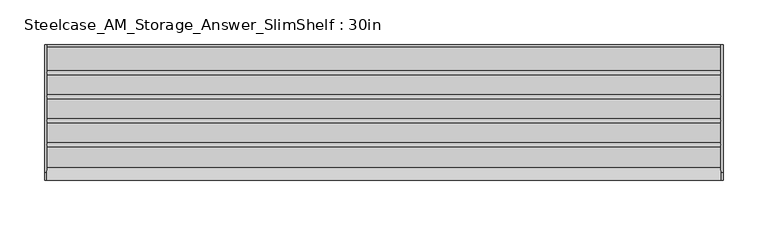
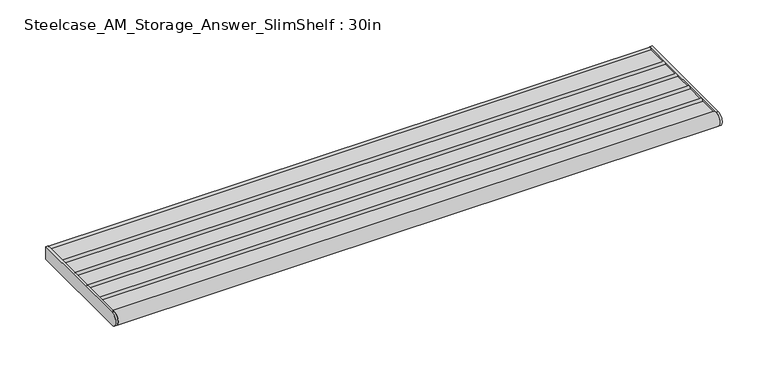
"""IFC4 building model written with IfcOpenShell, lengths in millimetres: furniture geometry, Steelcase_AM_Storage_Answer_SlimShelf : 30in."""

from ifc_helpers import new_model, si_unit, point, frame, frame_2d, origin, place, context, project, spatial, polyline, circle_curve, trimmed, segment, composite_curve, outline, extrude, source, transform, mapped, element, save


def steelcase_am_storage_answer_slimshelf_30in_3f86dd77(model_context):
    return source(origin(), model_context, "Body", "SweptSolid", [
        extrude(outline(composite_curve([segment(polyline([(-29.2099994, 928.482716), (-2.2859999, 928.482716)]), True, "CONTINUOUS"), segment(trimmed(circle_curve(frame_2d((1e-07, 928.482716)), 2.2860001), [point((-2.2859999, 928.482716))], [point((0.0, 930.7687161))], False, "CARTESIAN"), True, "CONTINUOUS"), segment(polyline([(0.0, 930.7687161), (0.0, 914.4), (-143.9753135, 914.4)]), True, "CONTINUOUS"), segment(trimmed(circle_curve(frame_2d((-143.9753135, 922.8328065)), 8.4328065), [point((-143.9753135, 914.4))], [point((-137.7150621, 928.482716))], False, "CARTESIAN"), True, "CONTINUOUS"), segment(polyline([(-137.7150621, 928.482716), (-114.7063978, 928.482716)]), True, "CONTINUOUS"), segment(trimmed(circle_curve(frame_2d((-112.4204, 928.482716)), 2.2859978), [point((-114.7063978, 928.482716))], [point((-110.1344022, 928.482716))], False, "CARTESIAN"), True, "CONTINUOUS"), segment(polyline([(-110.1344022, 928.482716), (-87.7315999, 928.482716)]), True, "CONTINUOUS"), segment(trimmed(circle_curve(frame_2d((-85.4456021, 928.482716)), 2.2859978), [point((-87.7315999, 928.482716))], [point((-83.1596043, 928.482716))], False, "CARTESIAN"), True, "CONTINUOUS"), segment(polyline([(-83.1596043, 928.482716), (-60.756802, 928.482716)]), True, "CONTINUOUS"), segment(trimmed(circle_curve(frame_2d((-58.4708019, 928.482716)), 2.2860001), [point((-60.756802, 928.482716))], [point((-56.1848018, 928.482716))], False, "CARTESIAN"), True, "CONTINUOUS"), segment(polyline([(-56.1848018, 928.482716), (-33.7819996, 928.482716)]), True, "CONTINUOUS"), segment(trimmed(circle_curve(frame_2d((-31.4959995, 928.482716)), 2.2860001), [point((-33.7819996, 928.482716))], [point((-29.2099994, 928.482716))], False, "CARTESIAN"), True, "CONTINUOUS")], self_intersect=False)), frame((2.7431999, 0.0, 0.0), z_axis=(1.0, 0.0, 0.0), x_axis=(0.0, 1.0, 0.0)), (0.0, 0.0, 1.0), 756.4120001),
        extrude(outline(composite_curve([segment(polyline([(-143.9753135, 931.265613), (0.0, 931.265613), (0.0, 914.4), (-143.9753135, 914.4)]), True, "CONTINUOUS"), segment(trimmed(circle_curve(frame_2d((-143.9753135, 922.8328065)), 8.4328065), [point((-143.9753135, 914.4))], [point((-143.9753135, 931.265613))], False, "CARTESIAN"), True, "CONTINUOUS")], self_intersect=False)), frame((759.1552, 0.0, 0.0), z_axis=(1.0, 0.0, 0.0), x_axis=(0.0, 1.0, 0.0)), (0.0, 0.0, 1.0), 2.8448),
        extrude(outline(composite_curve([segment(polyline([(-143.9753135, 931.265613), (0.0, 931.265613), (0.0, 914.4), (-143.9753135, 914.4)]), True, "CONTINUOUS"), segment(trimmed(circle_curve(frame_2d((-143.9753135, 922.8328065)), 8.4328065), [point((-143.9753135, 914.4))], [point((-143.9753135, 931.265613))], False, "CARTESIAN"), True, "CONTINUOUS")], self_intersect=False)), frame((0.0, 0.0, 0.0), z_axis=(1.0, 0.0, 0.0), x_axis=(0.0, 1.0, 0.0)), (0.0, 0.0, 1.0), 2.7431999),
    ])


if __name__ == "__main__":
    model = new_model("IFC4")
    model_context = context("Model", 3, world=origin())
    ifc_project = project(units=[si_unit("LENGTHUNIT", "METRE", prefix="MILLI")], contexts=[model_context])
    site = spatial("IfcSite", under=ifc_project)
    building = spatial("IfcBuilding", under=site)
    placement = place(None, origin())
    steelcase_am_storage_answer_slimshelf_30in_shape = steelcase_am_storage_answer_slimshelf_30in_3f86dd77(model_context)
    element("IfcFurniture", 1, ObjectType="Steelcase_AM_Storage_Answer_SlimShelf : 30in", at=placement, inside=building, context=model_context, shape_type="MappedRepresentation", body=[
        mapped(steelcase_am_storage_answer_slimshelf_30in_shape, transform((0.0, 0.0, 0.0), x_axis=(1.0, 0.0, 0.0), y_axis=(0.0, 1.0, 0.0), z_axis=(0.0, 0.0, 1.0))),
    ])
    save(model, "model.ifc")
